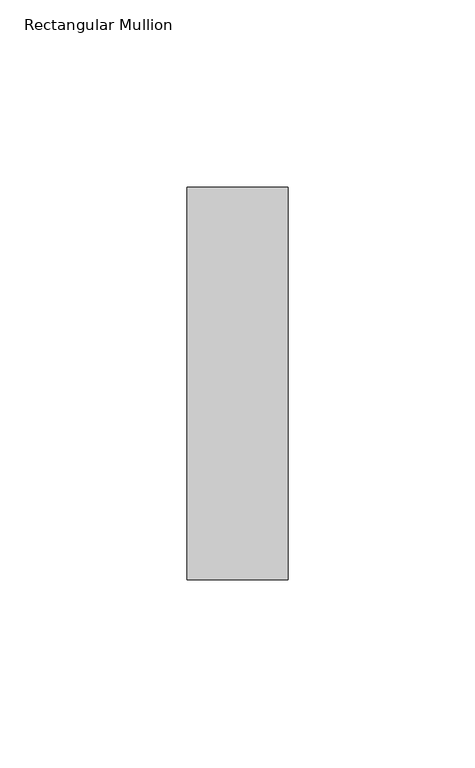
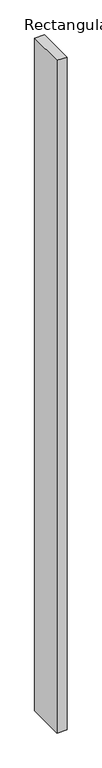
"""IFC4 building model written with IfcOpenShell, lengths in millimetres: member geometry, Rectangular Mullion."""

from ifc_helpers import new_model, si_unit, frame, origin, place, context, project, spatial, polyline, outline, extrude, source, transform, mapped, element, save


def rectangular_mullion_de6b15dd(model_context):
    return source(origin(), model_context, "Body", "SweptSolid", [
        extrude(outline(polyline([(-27.0, 52.3975), (0.0, 52.3975), (0.0, -52.3975), (-27.0, -52.3975), (-27.0, 52.3975)])), frame((0.0, 0.0, -1925.2005836), z_axis=(0.0, 0.0, 1.0), x_axis=(1.0, 0.0, 0.0)), (0.0, 0.0, 1.0), 1925.2005836),
    ])


if __name__ == "__main__":
    model = new_model("IFC4")
    model_context = context("Model", 3, world=origin())
    ifc_project = project(units=[si_unit("LENGTHUNIT", "METRE", prefix="MILLI")], contexts=[model_context])
    site = spatial("IfcSite", under=ifc_project)
    building = spatial("IfcBuilding", under=site)
    placement = place(None, origin())
    rectangular_mullion_shape = rectangular_mullion_de6b15dd(model_context)
    element("IfcMember", 1, ObjectType="Rectangular Mullion", at=placement, inside=building, context=model_context, shape_type="MappedRepresentation", body=[
        mapped(rectangular_mullion_shape, transform((0.0, 0.0, 0.0), x_axis=(1.0, 0.0, 0.0), y_axis=(0.0, 1.0, 0.0), z_axis=(0.0, 0.0, 1.0))),
    ])
    save(model, "model.ifc")
